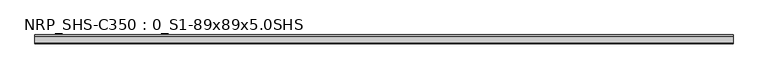
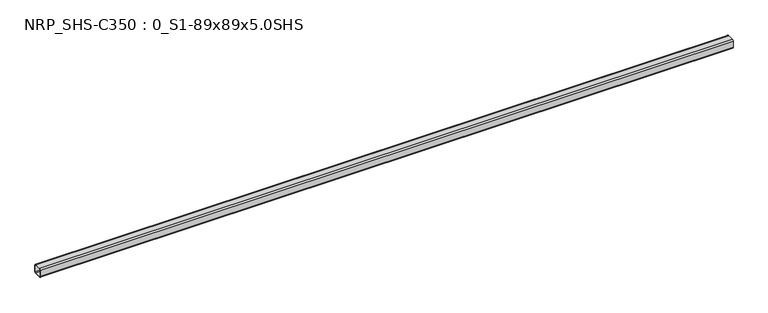
"""IFC4 building model written with IfcOpenShell, lengths in millimetres: beam geometry, NRP_SHS-C350 : 0_S1-89x89x5.0SHS."""

from ifc_helpers import new_model, si_unit, point, frame, frame_2d, origin, place, context, project, spatial, polyline, circle_curve, trimmed, segment, composite_curve, outline, extrude, source, transform, mapped, element, save


def nrp_shs_c350_0_s1_89x89x5_0shs_ddff937e(model_context):
    return source(origin(), model_context, "Body", "SweptSolid", [
        extrude(outline(composite_curve([segment(polyline([(44.5, 32.0), (44.5, -32.0)]), True, "CONTINUOUS"), segment(trimmed(circle_curve(frame_2d((32.0, -32.0)), 12.5), [point((44.5, -32.0))], [point((32.0, -44.5))], False, "CARTESIAN"), True, "CONTINUOUS"), segment(polyline([(32.0, -44.5), (-32.0, -44.5)]), True, "CONTINUOUS"), segment(trimmed(circle_curve(frame_2d((-32.0, -32.0)), 12.5), [point((-32.0, -44.5))], [point((-44.5, -32.0))], False, "CARTESIAN"), True, "CONTINUOUS"), segment(polyline([(-44.5, -32.0), (-44.5, 32.0)]), True, "CONTINUOUS"), segment(trimmed(circle_curve(frame_2d((-32.0, 32.0)), 12.5), [point((-44.5, 32.0))], [point((-32.0, 44.5))], False, "CARTESIAN"), True, "CONTINUOUS"), segment(polyline([(-32.0, 44.5), (32.0, 44.5)]), True, "CONTINUOUS"), segment(trimmed(circle_curve(frame_2d((32.0, 32.0)), 12.5), [point((32.0, 44.5))], [point((44.5, 32.0))], False, "CARTESIAN"), True, "CONTINUOUS")], self_intersect=False), holes=[composite_curve([segment(trimmed(circle_curve(frame_2d((-32.0, 32.0)), 7.5), [point((-32.0, 39.5))], [point((-39.5, 32.0))], True, "CARTESIAN"), True, "CONTINUOUS"), segment(polyline([(-39.5, 32.0), (-39.5, -32.0)]), True, "CONTINUOUS"), segment(trimmed(circle_curve(frame_2d((-32.0, -32.0)), 7.5), [point((-39.5, -32.0))], [point((-32.0, -39.5))], True, "CARTESIAN"), True, "CONTINUOUS"), segment(polyline([(-32.0, -39.5), (32.0, -39.5)]), True, "CONTINUOUS"), segment(trimmed(circle_curve(frame_2d((32.0, -32.0)), 7.5), [point((32.0, -39.5))], [point((39.5, -32.0))], True, "CARTESIAN"), True, "CONTINUOUS"), segment(polyline([(39.5, -32.0), (39.5, 32.0)]), True, "CONTINUOUS"), segment(trimmed(circle_curve(frame_2d((32.0, 32.0)), 7.5), [point((39.5, 32.0))], [point((32.0, 39.5))], True, "CARTESIAN"), True, "CONTINUOUS"), segment(polyline([(32.0, 39.5), (-32.0, 39.5)]), True, "CONTINUOUS")], self_intersect=False)]), frame((-3408.5, 0.0, 0.0), z_axis=(1.0, 0.0, 0.0), x_axis=(0.0, 1.0, 0.0)), (0.0, 0.0, 1.0), 6837.0),
    ])


if __name__ == "__main__":
    model = new_model("IFC4")
    model_context = context("Model", 3, world=origin())
    ifc_project = project(units=[si_unit("LENGTHUNIT", "METRE", prefix="MILLI")], contexts=[model_context])
    site = spatial("IfcSite", under=ifc_project)
    building = spatial("IfcBuilding", under=site)
    placement = place(None, origin())
    nrp_shs_c350_0_s1_89x89x5_0shs_shape = nrp_shs_c350_0_s1_89x89x5_0shs_ddff937e(model_context)
    element("IfcBeam", 1, ObjectType="NRP_SHS-C350 : 0_S1-89x89x5.0SHS", at=placement, inside=building, context=model_context, shape_type="MappedRepresentation", body=[
        mapped(nrp_shs_c350_0_s1_89x89x5_0shs_shape, transform((0.0, 0.0, 0.0), x_axis=(1.0, 0.0, 0.0), y_axis=(0.0, 1.0, 0.0), z_axis=(0.0, 0.0, 1.0))),
    ])
    save(model, "model.ifc")
